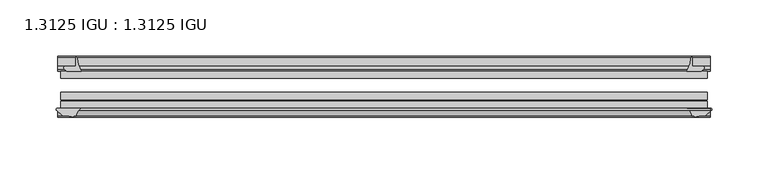
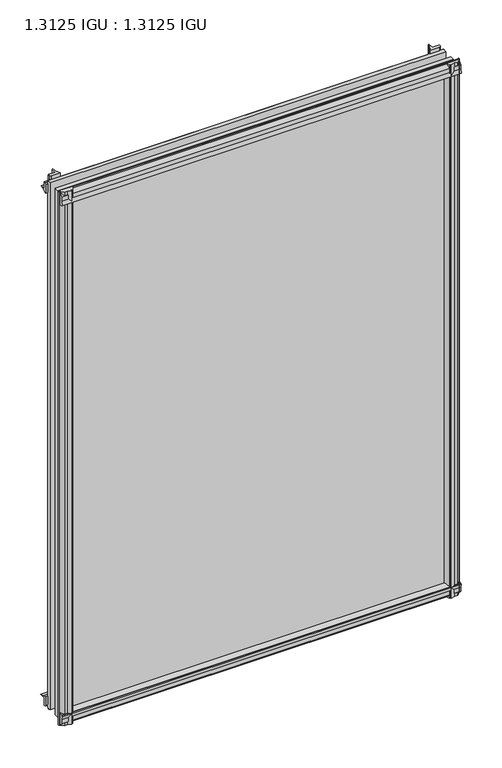
"""IFC4 building model written with IfcOpenShell, lengths in millimetres: plate geometry, 1.3125 IGU : 1.3125 IGU."""

from ifc_helpers import new_model, si_unit, point, frame, frame_2d, origin, place, context, project, spatial, polyline, circle_curve, trimmed, segment, composite_curve, outline, extrude, source, transform, mapped, element, save


def plate_1_3125_igu_1_3125_igu_66a1e0d7(model_context):
    return source(origin(), model_context, "Body", "SweptSolid", [
        extrude(outline(composite_curve([segment(polyline([(-22.094825, 0.0), (-22.094825, -9.916835)]), True, "CONTINUOUS"), segment(trimmed(circle_curve(frame_2d((-23.669625, -9.916835)), 1.5748), [point((-22.094825, -9.916835))], [point((-24.8706146, -10.9354709))], False, "CARTESIAN"), True, "CONTINUOUS"), segment(polyline([(-24.8706146, -10.9354709), (-26.590625, -8.9075484), (-26.590625, 4.0446407)]), True, "CONTINUOUS"), segment(trimmed(circle_curve(frame_2d((-7.1839113, 38.4138813)), 39.4698015), [point((-26.590625, 4.0446407))], [point((-19.4504626, 0.8985917))], True, "CARTESIAN"), True, "CONTINUOUS"), segment(polyline([(-19.4504626, 0.8985917), (-13.3986538, 0.0), (-22.094825, 0.0)]), True, "CONTINUOUS")], self_intersect=False)), frame((-290.1184763, 0.0, 0.0), z_axis=(1.0, 0.0, 0.0), x_axis=(0.0, 1.0, 0.0)), (0.0, 0.0, 1.0), 580.2369525),
        extrude(outline(composite_curve([segment(trimmed(circle_curve(frame_2d((-67.8737919, 9.6311377)), 10.5748618), [point((-66.062225, -0.7874))], [point((-59.712225, 2.9068141))], True, "CARTESIAN"), True, "CONTINUOUS"), segment(polyline([(-59.712225, 2.9068141), (-59.712225, -18.0442511)]), True, "CONTINUOUS"), segment(trimmed(circle_curve(frame_2d((-60.728225, -18.0442511)), 1.016), [point((-59.712225, -18.0442511))], [point((-61.4950672, -18.7107412))], False, "CARTESIAN"), True, "CONTINUOUS"), segment(polyline([(-61.4950672, -18.7107412), (-66.062225, -13.4559149), (-66.062225, -7.4520336), (-67.637025, -1.5748), (-66.062225, -1.5748), (-66.062225, -0.7874)]), True, "CONTINUOUS")], self_intersect=False)), frame((-290.1184763, 0.0, 0.0), z_axis=(1.0, 0.0, 0.0), x_axis=(0.0, 1.0, 0.0)), (0.0, 0.0, 1.0), 580.2369525),
        extrude(outline(composite_curve([segment(polyline([(-66.062225, 794.4598774), (-61.4950672, 799.7147037)]), True, "CONTINUOUS"), segment(trimmed(circle_curve(frame_2d((-60.728225, 799.0482136)), 1.016), [point((-61.4950672, 799.7147037))], [point((-59.712225, 799.0482136))], False, "CARTESIAN"), True, "CONTINUOUS"), segment(polyline([(-59.712225, 799.0482136), (-59.712225, 778.5230921)]), True, "CONTINUOUS"), segment(trimmed(circle_curve(frame_2d((-66.4211348, 772.8932283)), 8.7581298), [point((-59.712225, 778.5230921))], [point((-66.062225, 781.6440009))], True, "CARTESIAN"), True, "CONTINUOUS"), segment(polyline([(-66.062225, 781.6440009), (-66.062225, 782.5787625), (-67.637025, 782.5787625), (-66.062225, 788.4559961), (-66.062225, 794.4598774)]), True, "CONTINUOUS")], self_intersect=False)), frame((-290.1184763, 0.0, 0.0), z_axis=(1.0, 0.0, 0.0), x_axis=(0.0, 1.0, 0.0)), (0.0, 0.0, 1.0), 580.2369525),
        extrude(outline(composite_curve([segment(polyline([(-26.590625, 776.9593218), (-26.590625, 789.9115109), (-24.8706146, 791.9394334)]), True, "CONTINUOUS"), segment(trimmed(circle_curve(frame_2d((-23.669625, 790.9207975)), 1.5748), [point((-24.8706146, 791.9394334))], [point((-22.094825, 790.9207975))], False, "CARTESIAN"), True, "CONTINUOUS"), segment(polyline([(-22.094825, 790.9207975), (-22.094825, 781.05), (-14.5883882, 781.05), (-18.3240316, 780.2633459)]), True, "CONTINUOUS"), segment(trimmed(circle_curve(frame_2d((-16.4585419, 767.634903)), 12.7654855), [point((-18.3240316, 780.2633459))], [point((-20.5939581, 779.7119869))], True, "CARTESIAN"), True, "CONTINUOUS"), segment(trimmed(circle_curve(frame_2d((-7.1839113, 742.5900812)), 39.4698015), [point((-20.5939581, 779.7119869))], [point((-26.590625, 776.9593218))], True, "CARTESIAN"), True, "CONTINUOUS")], self_intersect=False)), frame((-290.1184763, 0.0, 0.0), z_axis=(1.0, 0.0, 0.0), x_axis=(0.0, 1.0, 0.0)), (0.0, 0.0, 1.0), 580.2369525),
        extrude(outline(composite_curve([segment(polyline([(281.9575484, -26.590625), (269.0053593, -26.590625)]), True, "CONTINUOUS"), segment(trimmed(circle_curve(frame_2d((234.6361187, -7.1839113)), 39.4698015), [point((269.0053593, -26.590625))], [point((272.1514083, -19.4504626))], True, "CARTESIAN"), True, "CONTINUOUS"), segment(polyline([(272.1514083, -19.4504626), (272.7972834, -15.1006424)]), True, "CONTINUOUS"), segment(trimmed(circle_curve(frame_2d((273.5767687, -15.2120036)), 0.7874), [point((272.7972834, -15.1006424))], [point((273.84375, -14.4712474))], False, "CARTESIAN"), True, "CONTINUOUS"), segment(polyline([(273.84375, -14.4712474), (273.84375, -22.094825), (282.966835, -22.094825)]), True, "CONTINUOUS"), segment(trimmed(circle_curve(frame_2d((282.966835, -23.669625)), 1.5748), [point((282.966835, -22.094825))], [point((283.9854709, -24.8706146))], False, "CARTESIAN"), True, "CONTINUOUS"), segment(polyline([(283.9854709, -24.8706146), (281.9575484, -26.590625)]), True, "CONTINUOUS")], self_intersect=False)), frame((0.0, 0.0, -18.2728511), z_axis=(0.0, 0.0, 1.0), x_axis=(1.0, 0.0, 0.0)), (0.0, 0.0, 1.0), 818.6352548),
        extrude(outline(composite_curve([segment(polyline([(269.6989748, -59.712225), (290.2594015, -59.712225)]), True, "CONTINUOUS"), segment(trimmed(circle_curve(frame_2d((290.2594015, -60.728225)), 1.016), [point((290.2594015, -59.712225))], [point((290.9258916, -61.4950672))], False, "CARTESIAN"), True, "CONTINUOUS"), segment(polyline([(290.9258916, -61.4950672), (285.6710653, -66.062225), (281.6958336, -66.062225), (275.8186, -67.637025), (275.8186, -66.062225), (274.7282443, -66.062225)]), True, "CONTINUOUS"), segment(trimmed(circle_curve(frame_2d((274.7282443, -66.849625)), 0.7874), [point((274.7282443, -66.062225))], [point((273.9505385, -66.7264485))], True, "CARTESIAN"), True, "CONTINUOUS"), segment(trimmed(circle_curve(frame_2d((260.8852219, -69.8501675)), 13.4335445), [point((273.9505385, -66.7264485))], [point((269.6989748, -59.712225))], True, "CARTESIAN"), True, "CONTINUOUS")], self_intersect=False)), frame((0.0, 0.0, -18.2728511), z_axis=(0.0, 0.0, 1.0), x_axis=(1.0, 0.0, 0.0)), (0.0, 0.0, 1.0), 818.6352548),
        extrude(outline(composite_curve([segment(polyline([(-272.7972834, -15.1006424), (-272.3228683, -18.2957187)]), True, "CONTINUOUS"), segment(trimmed(circle_curve(frame_2d((-259.7605951, -16.4304327)), 12.7), [point((-272.3228683, -18.2957187))], [point((-271.7741235, -20.5493081))], True, "CARTESIAN"), True, "CONTINUOUS"), segment(trimmed(circle_curve(frame_2d((-234.6361187, -7.1839113)), 39.4698015), [point((-271.7741235, -20.5493081))], [point((-269.0053593, -26.590625))], True, "CARTESIAN"), True, "CONTINUOUS"), segment(polyline([(-269.0053593, -26.590625), (-281.9575484, -26.590625), (-283.9854709, -24.8706146)]), True, "CONTINUOUS"), segment(trimmed(circle_curve(frame_2d((-282.966835, -23.669625)), 1.5748), [point((-283.9854709, -24.8706146))], [point((-282.966835, -22.094825))], False, "CARTESIAN"), True, "CONTINUOUS"), segment(polyline([(-282.966835, -22.094825), (-273.812, -22.094825), (-273.812, -14.4605617)]), True, "CONTINUOUS"), segment(trimmed(circle_curve(frame_2d((-273.5767687, -15.2120036)), 0.7874), [point((-273.812, -14.4605617))], [point((-272.7972834, -15.1006424))], False, "CARTESIAN"), True, "CONTINUOUS")], self_intersect=False)), frame((0.0, 0.0, -18.2728511), z_axis=(0.0, 0.0, 1.0), x_axis=(1.0, 0.0, 0.0)), (0.0, 0.0, 1.0), 818.9847648),
        extrude(outline(composite_curve([segment(trimmed(circle_curve(frame_2d((-260.8852219, -69.8501675)), 13.4335445), [point((-269.6989748, -59.712225))], [point((-273.9505385, -66.7264485))], True, "CARTESIAN"), True, "CONTINUOUS"), segment(trimmed(circle_curve(frame_2d((-274.7282443, -66.849625)), 0.7874), [point((-273.9505385, -66.7264485))], [point((-274.7282443, -66.062225))], True, "CARTESIAN"), True, "CONTINUOUS"), segment(polyline([(-274.7282443, -66.062225), (-275.8186, -66.062225), (-275.8186, -67.637025), (-281.6958336, -66.062225), (-285.6710653, -66.062225), (-290.9258916, -61.4950672)]), True, "CONTINUOUS"), segment(trimmed(circle_curve(frame_2d((-290.2594015, -60.728225)), 1.016), [point((-290.9258916, -61.4950672))], [point((-290.2594015, -59.712225))], False, "CARTESIAN"), True, "CONTINUOUS"), segment(polyline([(-290.2594015, -59.712225), (-269.6989748, -59.712225)]), True, "CONTINUOUS")], self_intersect=False)), frame((0.0, 0.0, -18.2728511), z_axis=(0.0, 0.0, 1.0), x_axis=(1.0, 0.0, 0.0)), (0.0, 0.0, 1.0), 818.9847648),
        extrude(outline(polyline([(-287.3375, -26.590625), (287.3375, -26.590625), (287.3375, -32.889825), (-287.3375, -32.889825), (-287.3375, -26.590625)])), frame((0.0, 0.0, -12.8524), z_axis=(0.0, 0.0, 1.0), x_axis=(1.0, 0.0, 0.0)), (0.0, 0.0, 1.0), 808.1438625),
        extrude(outline(polyline([(287.3375, -45.589825), (287.3375, -51.889025), (-287.3375, -51.889025), (-287.3375, -45.589825), (287.3375, -45.589825)])), frame((0.0, 0.0, -12.8524), z_axis=(0.0, 0.0, 1.0), x_axis=(1.0, 0.0, 0.0)), (0.0, 0.0, 1.0), 808.1438625),
        extrude(outline(polyline([(287.3375, -53.413025), (287.3375, -59.712225), (-287.3375, -59.712225), (-287.3375, -53.413025), (287.3375, -53.413025)])), frame((0.0, 0.0, -12.8524), z_axis=(0.0, 0.0, 1.0), x_axis=(1.0, 0.0, 0.0)), (0.0, 0.0, 1.0), 808.1438625),
    ])


if __name__ == "__main__":
    model = new_model("IFC4")
    model_context = context("Model", 3, world=origin())
    ifc_project = project(units=[si_unit("LENGTHUNIT", "METRE", prefix="MILLI")], contexts=[model_context])
    site = spatial("IfcSite", under=ifc_project)
    building = spatial("IfcBuilding", under=site)
    placement = place(None, origin())
    plate_1_3125_igu_1_3125_igu_shape = plate_1_3125_igu_1_3125_igu_66a1e0d7(model_context)
    element("IfcPlate", 1, ObjectType="1.3125 IGU : 1.3125 IGU", at=placement, inside=building, context=model_context, shape_type="MappedRepresentation", body=[
        mapped(plate_1_3125_igu_1_3125_igu_shape, transform((0.0, 0.0, 0.0), x_axis=(1.0, 0.0, 0.0), y_axis=(0.0, 1.0, 0.0), z_axis=(0.0, 0.0, 1.0))),
    ])
    save(model, "model.ifc")
